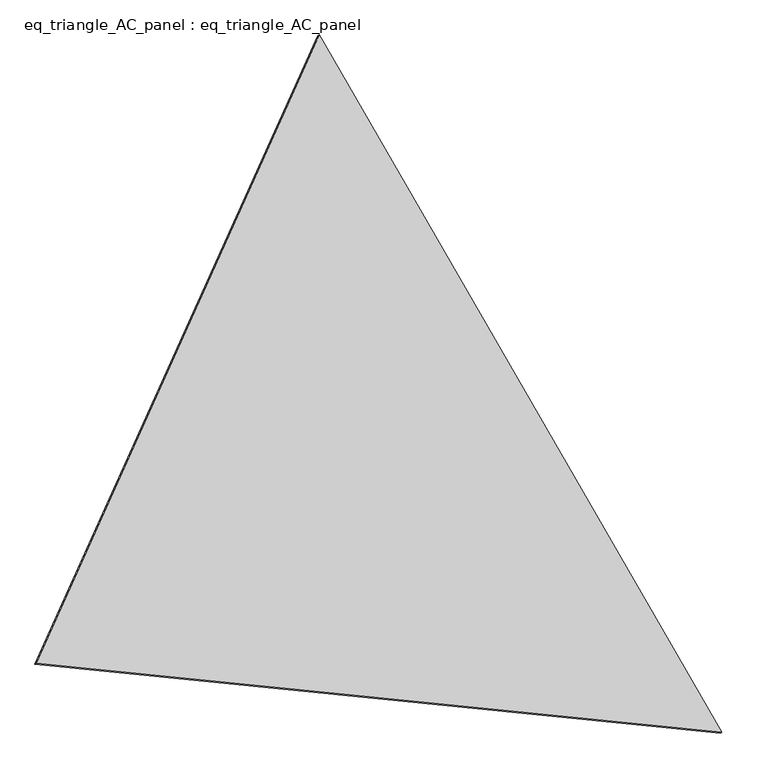
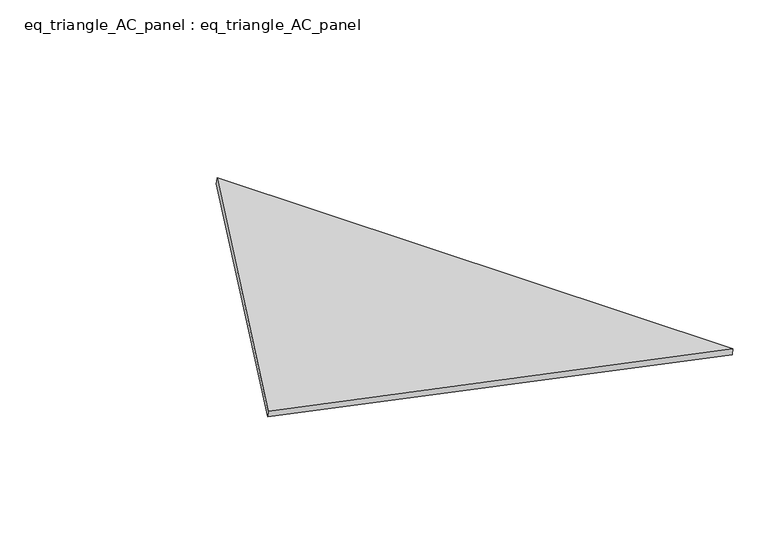
"""IFC4 building model written with IfcOpenShell, lengths in millimetres: proxy geometry, eq_triangle_AC_panel : eq_triangle_AC_panel."""

import ifcopenshell
import ifcopenshell.guid

model = None  # the IFC model being written
_history = None  # IfcOwnerHistory: only IFC2X3 demands one
_inside = {}  # id of a spatial element -> (the spatial element, [elements in it])
_under = {}  # id of a project, library or spatial element -> (it, [spatial elements below it])
_declared = {}  # id of a project -> (the project, [libraries it declares])
_typed = {}  # id of a type object -> (the type object, [elements of that type])
_made_of = {}  # id of a material, layer set ... -> (it, [elements and type objects made of it])


def new_model(schema):
    """Start an empty IFC model of exactly this schema.

    Asked for "IFC4X3", IfcOpenShell would pick the latest addendum, in which some entities
    have other attributes; the version numbers below select the first issue.
    IFC2X3 requires an IfcOwnerHistory on every rooted entity: one is made here for all.
    """
    global model, _history
    if schema == "IFC4X3":
        model = ifcopenshell.file(schema_version=(4, 3, 0, 0))
    else:
        model = ifcopenshell.file(schema=schema)
    _inside.clear()
    _under.clear()
    _declared.clear()
    _typed.clear()
    _made_of.clear()
    _history = None
    if model.schema == "IFC2X3":
        org = make("IfcOrganization", Name="unknown")
        user = make(
            "IfcPersonAndOrganization",
            ThePerson=make("IfcPerson", FamilyName="unknown"),
            TheOrganization=org,
        )
        app = make(
            "IfcApplication",
            ApplicationDeveloper=org,
            Version="unknown",
            ApplicationFullName="unknown",
            ApplicationIdentifier="unknown",
        )
        _history = make(
            "IfcOwnerHistory",
            OwningUser=user,
            OwningApplication=app,
            ChangeAction="ADDED",
            CreationDate=0,
        )
    return model


def make(cls, **values):
    """One entity of the class cls with the attributes given. An attribute that is None is left unset."""
    return model.create_entity(
        cls, **{name: value for name, value in values.items() if value is not None}
    )


def rooted(cls, **values):
    """An entity with a GlobalId (a new one), such as an element, a storey or a relation."""
    return make(cls, GlobalId=ifcopenshell.guid.new(), OwnerHistory=_history, **values)


def si_unit(unit_type, name, prefix=None):
    """IfcSIUnit, for example si_unit("LENGTHUNIT", "METRE", prefix="MILLI")."""
    return make("IfcSIUnit", UnitType=unit_type, Prefix=prefix, Name=name)


def assignment(units):
    """IfcUnitAssignment: the units of a project."""
    return None if units is None else make("IfcUnitAssignment", Units=units)


def point(xyz):
    """IfcCartesianPoint."""
    return None if xyz is None else make("IfcCartesianPoint", Coordinates=xyz)


def direction(xyz):
    """IfcDirection."""
    return None if xyz is None else make("IfcDirection", DirectionRatios=xyz)


def frame(location, z_axis=None, x_axis=None):
    """IfcAxis2Placement3D, a coordinate frame: its origin and axes. An axis left out is left unset."""
    return make(
        "IfcAxis2Placement3D",
        Location=point(location),
        Axis=direction(z_axis),
        RefDirection=direction(x_axis),
    )


def origin():
    """The frame at (0, 0, 0) with its axes left unset."""
    return frame((0.0, 0.0, 0.0))


def place(relative_to, where):
    """IfcLocalPlacement: puts the frame where relative to a parent placement (None: the world)."""
    return make(
        "IfcLocalPlacement", PlacementRelTo=relative_to, RelativePlacement=where
    )


def context(
    kind, dimensions, precision=None, world=None, true_north=None, identifier=None
):
    """IfcGeometricRepresentationContext, for example the 3D "Model" context."""
    return make(
        "IfcGeometricRepresentationContext",
        ContextIdentifier=identifier,
        ContextType=kind,
        CoordinateSpaceDimension=dimensions,
        Precision=precision,
        WorldCoordinateSystem=world,
        TrueNorth=true_north,
    )


def project(units=None, contexts=None):
    """IfcProject with its units and contexts."""
    return rooted(
        "IfcProject",
        Name="project",
        RepresentationContexts=contexts,
        UnitsInContext=assignment(units),
    )


def spatial(cls, under=None, at=None, **own):
    """A site, building, storey or space (cls), placed at a placement, below another one or the project."""
    s = rooted(cls, ObjectPlacement=at, **own)
    if under is not None:
        _under.setdefault(under.id(), (under, []))[1].append(s)
    return s


def polyline(points):
    """IfcPolyline through the points."""
    return make("IfcPolyline", Points=[point(p) for p in points])


def outline(outer, holes=None, kind="AREA"):
    """IfcArbitraryClosedProfileDef: a profile drawn as a closed curve; with holes, ...WithVoids."""
    if holes is None:
        return make("IfcArbitraryClosedProfileDef", ProfileType=kind, OuterCurve=outer)
    return make(
        "IfcArbitraryProfileDefWithVoids",
        ProfileType=kind,
        OuterCurve=outer,
        InnerCurves=holes,
    )


def extrude(swept, where, along, depth):
    """IfcExtrudedAreaSolid: the profile swept, set in the frame where, extruded along a direction by depth."""
    return make(
        "IfcExtrudedAreaSolid",
        SweptArea=swept,
        Position=where,
        ExtrudedDirection=direction(along),
        Depth=depth,
    )


def shape(context_of_items, identifier, shape_type, items):
    """IfcShapeRepresentation: the items that make up one representation, for example the "Body"."""
    return make(
        "IfcShapeRepresentation",
        ContextOfItems=context_of_items,
        RepresentationIdentifier=identifier,
        RepresentationType=shape_type,
        Items=items,
    )


def source(mapping_origin, context_of_items, identifier, shape_type, items):
    """IfcRepresentationMap: a shape defined once, which mapped items show again and again."""
    return make(
        "IfcRepresentationMap",
        MappingOrigin=mapping_origin,
        MappedRepresentation=shape(context_of_items, identifier, shape_type, items),
    )


def transform(
    local_origin,
    x_axis=None,
    y_axis=None,
    z_axis=None,
    scale=None,
    scale2=None,
    scale3=None,
    uniform=True,
):
    """IfcCartesianTransformationOperator3D, or its non-uniform kind. x_axis, y_axis, z_axis: its Axis1, 2, 3."""
    if uniform:
        return make(
            "IfcCartesianTransformationOperator3D",
            Axis1=direction(x_axis),
            Axis2=direction(y_axis),
            LocalOrigin=point(local_origin),
            Scale=scale,
            Axis3=direction(z_axis),
        )
    return make(
        "IfcCartesianTransformationOperator3DnonUniform",
        Axis1=direction(x_axis),
        Axis2=direction(y_axis),
        LocalOrigin=point(local_origin),
        Scale=scale,
        Axis3=direction(z_axis),
        Scale2=scale2,
        Scale3=scale3,
    )


def mapped(mapping_source, mapping_target):
    """IfcMappedItem: shows the shape of a source again, moved by a transform."""
    return make(
        "IfcMappedItem", MappingSource=mapping_source, MappingTarget=mapping_target
    )


def made_of(thing, what):
    """Note that an element or type object is made of a material, layer set ...; save() writes the relation."""
    if what is not None:
        _made_of.setdefault(what.id(), (what, []))[1].append(thing)
    return thing


def element(
    cls,
    number,
    at=None,
    inside=None,
    cuts=None,
    type_object=None,
    material=None,
    context=None,
    identifier="Body",
    shape_type=None,
    held_by="IfcProductDefinitionShape",
    body=None,
    shapes=None,
    **own,
):
    """One element of the class cls, such as IfcWall. Its Tag is "e" and its number.

    at: its placement. inside: the storey or other place that contains it. cuts: it is an
    opening in that element (IfcRelVoidsElement). A single representation is given by context,
    identifier, shape_type and body (its items); several are given by shapes. held_by: the class
    of the entity that holds the representations. save() writes the other relations.
    """
    e = rooted(cls, Tag="e%d" % number, ObjectPlacement=at, **own)
    if body is not None:
        shapes = [shape(context, identifier, shape_type, body)]
    if shapes is not None:
        e.Representation = make(held_by, Representations=shapes)
    if inside is not None:
        _inside.setdefault(inside.id(), (inside, []))[1].append(e)
    if cuts is not None:
        rooted(
            "IfcRelVoidsElement", RelatingBuildingElement=cuts, RelatedOpeningElement=e
        )
    if type_object is not None:
        _typed.setdefault(type_object.id(), (type_object, []))[1].append(e)
    return made_of(e, material)


def aggregate(whole, parts):
    """IfcRelAggregates: a whole, such as a stair, and the parts it consists of."""
    return rooted("IfcRelAggregates", RelatingObject=whole, RelatedObjects=parts)


def save(model, path):
    """Write the relations noted so far, then the file.

    IfcRelAggregates (storeys below a building ...), IfcRelContainedInSpatialStructure (elements
    in a storey), IfcRelDefinesByType, IfcRelAssociatesMaterial and IfcRelDeclares: one each for
    every whole, place, type object, material and project.
    """
    for whole, parts in _under.values():
        aggregate(whole, parts)
    for where, things in _inside.values():
        rooted(
            "IfcRelContainedInSpatialStructure",
            RelatedElements=things,
            RelatingStructure=where,
        )
    for kind, things in _typed.values():
        rooted("IfcRelDefinesByType", RelatedObjects=things, RelatingType=kind)
    for what, things in _made_of.values():
        rooted("IfcRelAssociatesMaterial", RelatedObjects=things, RelatingMaterial=what)
    for by, libraries in _declared.values():
        rooted("IfcRelDeclares", RelatingContext=by, RelatedDefinitions=libraries)
    model.write(path)


def eq_triangle_ac_panel_eq_triangle_ac_panel_ff6e2a1d(model_context):
    return source(origin(), model_context, "Body", "SweptSolid", [
        extrude(outline(polyline([(-2017.7690441, 947.6284379), (2017.7130801, 947.6284379), (0.0559639, -1895.2568758), (-2017.7690441, 947.6284379)])), frame((0.0038051, 527.9290861, 89.8240019), z_axis=(0.1452632851805819, 0.08386570281802239, 0.9858321976225893), x_axis=(0.4999775595357904, -0.8660383594010338, 2.569264629410682e-06)), (0.0, 0.0, 1.0), 43.8306294),
    ])


if __name__ == "__main__":
    model = new_model("IFC4")
    model_context = context("Model", 3, world=origin())
    ifc_project = project(units=[si_unit("LENGTHUNIT", "METRE", prefix="MILLI")], contexts=[model_context])
    site = spatial("IfcSite", under=ifc_project)
    building = spatial("IfcBuilding", under=site)
    placement = place(None, origin())
    eq_triangle_ac_panel_eq_triangle_ac_panel_shape = eq_triangle_ac_panel_eq_triangle_ac_panel_ff6e2a1d(model_context)
    element("IfcBuildingElementProxy", 1, Name="eq_triangle_AC_panel : eq_triangle_AC_panel", ObjectType="eq_triangle_AC_panel : eq_triangle_AC_panel", at=placement, inside=building, context=model_context, shape_type="MappedRepresentation", body=[
        mapped(eq_triangle_ac_panel_eq_triangle_ac_panel_shape, transform((0.0, 0.0, 0.0), x_axis=(1.0, 0.0, 0.0), y_axis=(0.0, 1.0, 0.0), z_axis=(0.0, 0.0, 1.0))),
    ])
    save(model, "model.ifc")
